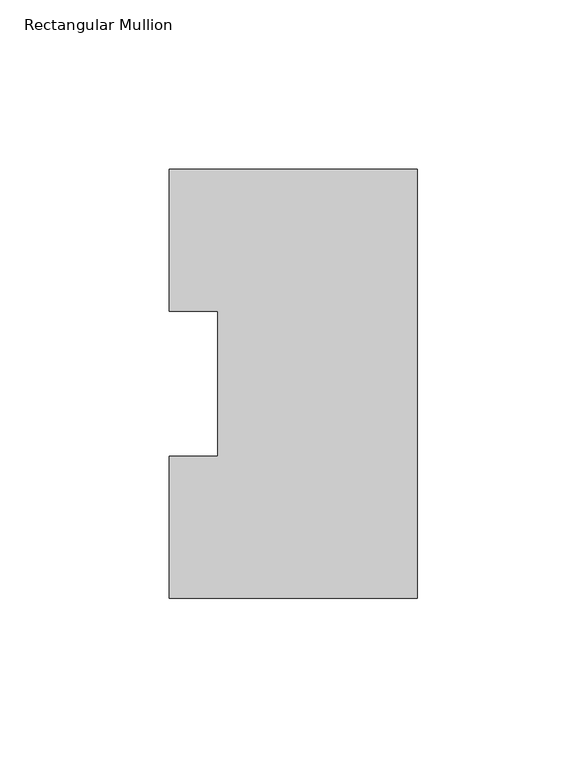
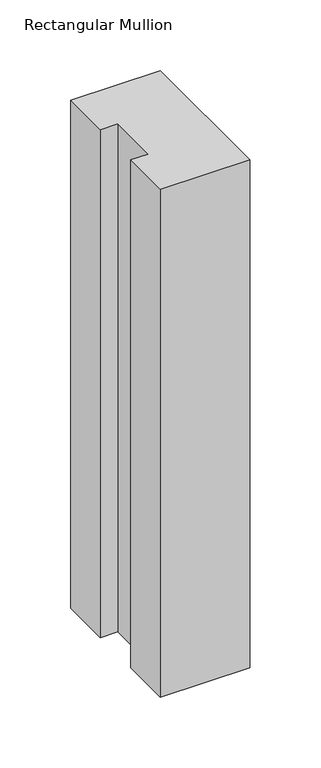
"""IFC4 building model written with IfcOpenShell, lengths in millimetres: member geometry, Rectangular Mullion."""

from ifc_helpers import new_model, si_unit, frame, origin, place, context, project, spatial, polyline, outline, extrude, source, transform, mapped, element, save


def rectangular_mullion_172ab8e1(model_context):
    return source(origin(), model_context, "Body", "SweptSolid", [
        extrude(outline(polyline([(0.0, 126.4546937), (0.0, -0.0373063), (-73.025, -0.0373063), (-73.025, 41.7837937), (-58.7375, 41.7837937), (-58.7375, 84.6335938), (-73.025, 84.6335938), (-73.025, 126.4546937), (0.0, 126.4546937)])), frame((0.0, 0.0, -438.15), z_axis=(0.0, 0.0, 1.0), x_axis=(1.0, 0.0, 0.0)), (0.0, 0.0, 1.0), 438.15),
    ])


if __name__ == "__main__":
    model = new_model("IFC4")
    model_context = context("Model", 3, world=origin())
    ifc_project = project(units=[si_unit("LENGTHUNIT", "METRE", prefix="MILLI")], contexts=[model_context])
    site = spatial("IfcSite", under=ifc_project)
    building = spatial("IfcBuilding", under=site)
    placement = place(None, origin())
    rectangular_mullion_shape = rectangular_mullion_172ab8e1(model_context)
    element("IfcMember", 1, ObjectType="Rectangular Mullion", at=placement, inside=building, context=model_context, shape_type="MappedRepresentation", body=[
        mapped(rectangular_mullion_shape, transform((0.0, 0.0, 0.0), x_axis=(1.0, 0.0, 0.0), y_axis=(0.0, 1.0, 0.0), z_axis=(0.0, 0.0, 1.0))),
    ])
    save(model, "model.ifc")
